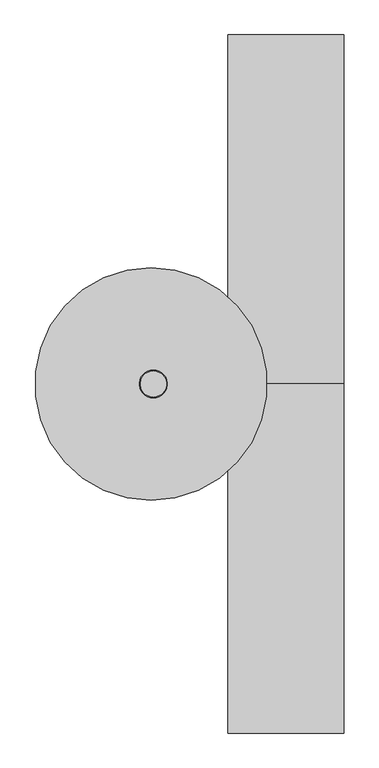
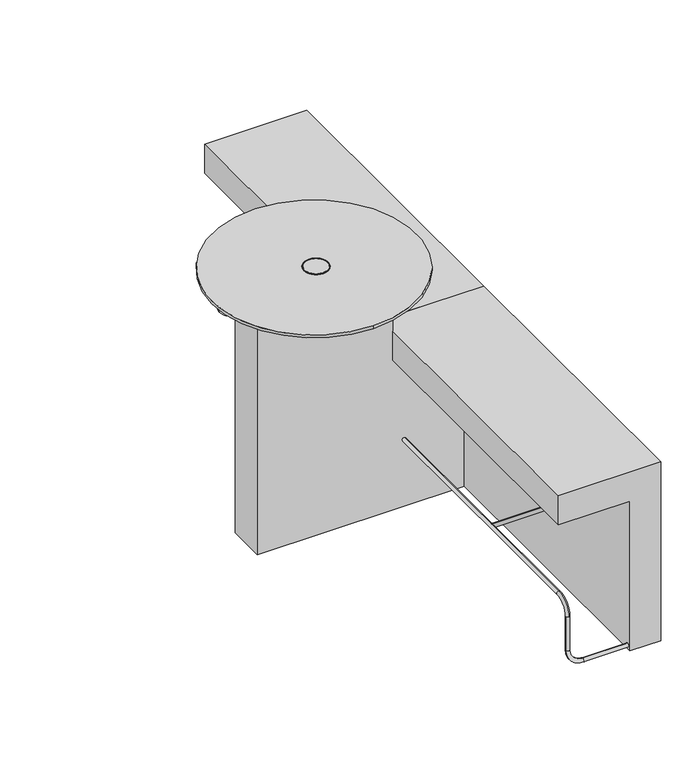
"""IFC4 building model written with IfcOpenShell, lengths in millimetres: furniture geometry."""

from ifc_helpers import new_model, si_unit, point, frame, frame_2d, origin, origin_with_axes, place, context, project, spatial, polyline, circle_curve, ellipse_curve, trimmed, segment, composite_curve, outline, extrude, source, transform, mapped, element, save
from ifc_brep_helpers import plane_surface, cylinder_surface, revolved_surface, advanced_brep


def furniture_3e6da632(model_context):
    return source(origin(), model_context, "Body", "SolidModel", [
        extrude(outline(composite_curve([segment(trimmed(circle_curve(frame_2d((-536.25, 0.0)), 48.0), [point((-536.25, 48.0))], [point((-536.25, -48.0))], False, "CARTESIAN"), True, "CONTINUOUS"), segment(trimmed(circle_curve(frame_2d((-536.25, 0.0)), 48.0), [point((-536.25, -48.0))], [point((-536.25, 48.0))], False, "CARTESIAN"), True, "CONTINUOUS")], self_intersect=False), holes=[composite_curve([segment(trimmed(circle_curve(frame_2d((-536.25, 0.0)), 45.0), [point((-536.25, 45.0))], [point((-536.25, -45.0))], True, "CARTESIAN"), True, "CONTINUOUS"), segment(trimmed(circle_curve(frame_2d((-536.25, 0.0)), 45.0), [point((-536.25, -45.0))], [point((-536.25, 45.0))], True, "CARTESIAN"), True, "CONTINUOUS")], self_intersect=False)]), frame((0.0, 0.0, 1060.0), z_axis=(0.0, 0.0, 1.0), x_axis=(1.0, 0.0, 0.0)), (0.0, 0.0, 1.0), 2.0),
        extrude(outline(composite_curve([segment(trimmed(circle_curve(frame_2d((-536.25, 0.0)), 45.0), [point((-536.25, 45.0))], [point((-536.25, -45.0))], False, "CARTESIAN"), True, "CONTINUOUS"), segment(trimmed(circle_curve(frame_2d((-536.25, 0.0)), 45.0), [point((-536.25, -45.0))], [point((-536.25, 45.0))], False, "CARTESIAN"), True, "CONTINUOUS")], self_intersect=False)), frame((0.0, 0.0, 1060.0), z_axis=(0.0, 0.0, 1.0), x_axis=(1.0, 0.0, 0.0)), (0.0, 0.0, 1.0), 2.0),
        advanced_brep(
        [(-278.0713252, 0.2775135, 912.6436849), (-278.0713252, 0.2775135, 868.1649803), (-269.2923071, 0.2775135, 868.1649803), (-269.2923071, 0.2775135, 912.6436849)],
        [
            (0, 1, circle_curve(frame((-278.0713252, 0.2775135, 890.4043326), z_axis=(-1.0, 0.0, 0.0), x_axis=(0.0, 0.0, -1.0)), 22.2393523)),
            (1, 0, circle_curve(frame((-278.0713252, 0.2775135, 890.4043326), z_axis=(-1.0, 0.0, 0.0), x_axis=(0.0, 0.0, -1.0)), 22.2393523)),
            (1, 2),
            (2, 3, ellipse_curve(frame((-269.2923071, 0.2775135, 890.4043326), z_axis=(-0.9848077530122081, 0.17364817766693016, 0.0), x_axis=(0.17364817766692978, 0.9848077530122081, 0.0)), 22.5824302, 22.2393523)),
            (3, 0),
            (3, 2, ellipse_curve(frame((-269.2923071, 0.2775135, 890.4043326), z_axis=(-0.9848077530122081, 0.17364817766693016, 0.0), x_axis=(0.17364817766692978, 0.9848077530122081, 0.0)), 22.5824302, 22.2393523)),
        ],
        [
            plane_surface(frame((-278.0713252, 0.2775135, 868.1649803), z_axis=(-1.0, 0.0, 0.0), x_axis=(0.0, -1.0, 0.0))),
            cylinder_surface(frame((-278.0713252, 0.2775135, 890.4043326), z_axis=(1.0, 0.0, 0.0), x_axis=(0.0, 0.0, -1.0)), 22.2393523),
            plane_surface(frame((-273.6676792, -24.5364551, 866.2000865), z_axis=(0.9848077530122081, -0.17364817766693016, 0.0), x_axis=(0.0, 0.0, 1.0))),
        ],
        [
            (0, [[1, 2]]),
            (1, [[-2, 3, 4, 5]]),
            (1, [[-1, -5, 6, -3]]),
            (2, [[-4, -6]]),
        ],
    ),
        extrude(outline(composite_curve([segment(trimmed(circle_curve(frame_2d((0.6057727, 900.3755519)), 45.0), [point((0.6057727, 945.3755519))], [point((0.6057727, 855.3755519))], False, "CARTESIAN"), True, "CONTINUOUS"), segment(trimmed(circle_curve(frame_2d((0.6057727, 900.3755519)), 45.0), [point((0.6057727, 855.3755519))], [point((0.6057727, 945.3755519))], False, "CARTESIAN"), True, "CONTINUOUS")], self_intersect=False)), frame((-280.0, 0.0, 0.0), z_axis=(1.0, 0.0, 0.0), x_axis=(0.0, 1.0, 0.0)), (0.0, 0.0, 1.0), 1.9286748),
        extrude(outline(composite_curve([segment(trimmed(circle_curve(frame_2d((60.423152, 59.9805734)), 25.0), [point((60.423152, 84.9805734))], [point((60.423152, 34.9805734))], False, "CARTESIAN"), True, "CONTINUOUS"), segment(trimmed(circle_curve(frame_2d((60.423152, 59.9805734)), 25.0), [point((60.423152, 34.9805734))], [point((60.423152, 84.9805734))], False, "CARTESIAN"), True, "CONTINUOUS")], self_intersect=False)), origin_with_axes(), (0.0, 0.0, 1.0), 10.0),
        advanced_brep(
        [(0.0, -1184.1185487, 17.5), (0.0, -1184.1185487, 32.5), (-174.8704276, -1184.1185487, 32.5), (-174.8704276, -1184.1185487, 17.5), (-227.3704276, -1184.1185487, 85.0), (-242.3704276, -1184.1185487, 85.0), (-227.3704276, -1184.1185487, 225.8567292), (-234.8704276, -1191.6185487, 225.8567292), (-242.3704276, -1184.1185487, 225.8567292), (-234.8704276, -1176.6185487, 225.8567292), (-234.8704276, -1124.1185487, 278.3567292), (-234.8704276, -1124.1185487, 293.3567292), (-234.8704276, -75.0, 278.3567292), (-234.8704276, -75.0, 293.3567292)],
        [
            (0, 1, circle_curve(frame((0.0, -1184.1185487, 25.0), z_axis=(1.0, 0.0, 0.0), x_axis=(0.0, 0.0, 1.0)), 7.5)),
            (1, 0, circle_curve(frame((0.0, -1184.1185487, 25.0), z_axis=(1.0, 0.0, 0.0), x_axis=(0.0, 0.0, 1.0)), 7.5)),
            (1, 2),
            (2, 3, circle_curve(frame((-174.8704276, -1184.1185487, 25.0), z_axis=(1.0, 0.0, 0.0), x_axis=(0.0, 0.0, 1.0)), 7.5)),
            (3, 0),
            (3, 2, circle_curve(frame((-174.8704276, -1184.1185487, 25.0), z_axis=(1.0, 0.0, 0.0), x_axis=(0.0, 0.0, 1.0)), 7.5)),
            (2, 4, circle_curve(frame((-174.8704276, -1184.1185487, 85.0), z_axis=(0.0, 1.0, 0.0), x_axis=(0.0, 0.0, -1.0)), 52.5)),
            (4, 5, circle_curve(frame((-234.8704276, -1184.1185487, 85.0), z_axis=(0.0, 0.0, -1.0), x_axis=(1.0, 0.0, 0.0)), 7.5)),
            (5, 3, circle_curve(frame((-174.8704276, -1184.1185487, 85.0), z_axis=(0.0, -1.0, 0.0), x_axis=(0.0, 0.0, -1.0)), 67.5)),
            (5, 4, circle_curve(frame((-234.8704276, -1184.1185487, 85.0), z_axis=(0.0, 0.0, -1.0), x_axis=(1.0, 0.0, 0.0)), 7.5)),
            (4, 6),
            (6, 7, circle_curve(frame((-234.8704276, -1184.1185487, 225.8567292), z_axis=(0.0, 0.0, -1.0), x_axis=(1.0, 0.0, 0.0)), 7.5)),
            (7, 8, circle_curve(frame((-234.8704276, -1184.1185487, 225.8567292), z_axis=(0.0, 0.0, -1.0), x_axis=(1.0, 0.0, 0.0)), 7.5)),
            (8, 5),
            (8, 9, circle_curve(frame((-234.8704276, -1184.1185487, 225.8567292), z_axis=(0.0, 0.0, -1.0), x_axis=(1.0, 0.0, 0.0)), 7.5)),
            (9, 6, circle_curve(frame((-234.8704276, -1184.1185487, 225.8567292), z_axis=(0.0, 0.0, -1.0), x_axis=(1.0, 0.0, 0.0)), 7.5)),
            (10, 9, circle_curve(frame((-234.8704276, -1124.1185487, 225.8567292), z_axis=(1.0, 0.0, 0.0), x_axis=(0.0, -1.0, 0.0)), 52.5)),
            (7, 11, circle_curve(frame((-234.8704276, -1124.1185487, 225.8567292), z_axis=(-1.0, 0.0, 0.0), x_axis=(0.0, -1.0, 0.0)), 67.5)),
            (11, 10, circle_curve(frame((-234.8704276, -1124.1185487, 285.8567292), z_axis=(0.0, -1.0, 0.0), x_axis=(0.0, 0.0, 1.0)), 7.5)),
            (10, 11, circle_curve(frame((-234.8704276, -1124.1185487, 285.8567292), z_axis=(0.0, -1.0, 0.0), x_axis=(0.0, 0.0, 1.0)), 7.5)),
            (12, 13, circle_curve(frame((-234.8704276, -75.0, 285.8567292), z_axis=(0.0, 1.0, 0.0), x_axis=(0.0, 0.0, 1.0)), 7.5)),
            (13, 12, circle_curve(frame((-234.8704276, -75.0, 285.8567292), z_axis=(0.0, 1.0, 0.0), x_axis=(0.0, 0.0, 1.0)), 7.5)),
            (11, 13),
            (12, 10),
        ],
        [
            plane_surface(frame((0.0, -1184.1185487, 25.0), z_axis=(1.0, 0.0, 0.0), x_axis=(0.0, 1.0, 0.0))),
            cylinder_surface(frame((0.0, -1184.1185487, 25.0), z_axis=(1.0, 0.0, 0.0), x_axis=(0.0, 0.0, 1.0)), 7.5),
            revolved_surface(trimmed(ellipse_curve(frame((-174.8704276, -1184.1185487, 25.0), z_axis=(1.0, 0.0, 0.0), x_axis=(0.0, 0.0, 1.0)), 7.5, 7.5), [point((-174.8704276, -1184.1185487, 32.5))], [point((-174.8704276, -1184.1185487, 17.5))], True, "CARTESIAN"), (-174.8704276, -1184.1185487, 85.0), (0.0, 1.0, 0.0)),
            revolved_surface(trimmed(ellipse_curve(frame((-174.8704276, -1184.1185487, 25.0), z_axis=(1.0, 0.0, 0.0), x_axis=(0.0, 0.0, 1.0)), 7.5, 7.5), [point((-174.8704276, -1184.1185487, 17.5))], [point((-174.8704276, -1184.1185487, 32.5))], True, "CARTESIAN"), (-174.8704276, -1184.1185487, 85.0), (0.0, 1.0, 0.0)),
            cylinder_surface(frame((-234.8704276, -1184.1185487, 85.0), z_axis=(0.0, 0.0, -1.0), x_axis=(1.0, 0.0, 0.0)), 7.5),
            revolved_surface(trimmed(ellipse_curve(frame((-234.8704276, -1184.1185487, 225.8567292), z_axis=(0.0, 0.0, -1.0), x_axis=(0.0, -1.0, 0.0)), 7.5, 7.5), [point((-234.8704276, -1191.6185487, 225.8567292))], [point((-234.8704276, -1176.6185487, 225.8567292))], True, "CARTESIAN"), (0.0, -1124.1185487, 225.8567292), (-1.0, 0.0, 0.0)),
            revolved_surface(trimmed(ellipse_curve(frame((-234.8704276, -1184.1185487, 225.8567292), z_axis=(0.0, 0.0, -1.0), x_axis=(0.0, -1.0, 0.0)), 7.5, 7.5), [point((-234.8704276, -1176.6185487, 225.8567292))], [point((-234.8704276, -1191.6185487, 225.8567292))], True, "CARTESIAN"), (0.0, -1124.1185487, 225.8567292), (-1.0, 0.0, 0.0)),
            plane_surface(frame((0.0, -75.0, 285.8567292), z_axis=(0.0, 1.0, 0.0), x_axis=(1.0, 0.0, 0.0))),
            cylinder_surface(frame((-234.8704276, -1124.1185487, 285.8567292), z_axis=(0.0, -1.0, 0.0), x_axis=(0.0, 0.0, 1.0)), 7.5),
        ],
        [
            (0, [[1, 2]]),
            (1, [[-2, 3, 4, 5]]),
            (1, [[-1, -5, 6, -3]]),
            (2, [[-4, 7, 8, 9]]),
            (3, [[-6, -9, 10, -7]]),
            (4, [[-8, 11, 12, 13, 14]]),
            (4, [[-10, -14, 15, 16, -11]]),
            (5, [[17, -15, -13, 18, 19]]),
            (6, [[-17, 20, -18, -12, -16]]),
            (7, [[21, 22]]),
            (8, [[-19, 23, -21, 24]]),
            (8, [[-20, -24, -22, -23]]),
        ],
    ),
        extrude(outline(composite_curve([segment(trimmed(circle_curve(frame_2d((-666.9247919, 285.8721425)), 7.5), [point((-666.9247919, 278.3721425))], [point((-666.9247919, 293.3721425))], False, "CARTESIAN"), True, "CONTINUOUS"), segment(trimmed(circle_curve(frame_2d((-666.9247919, 285.8721425)), 7.5), [point((-666.9247919, 293.3721425))], [point((-666.9247919, 278.3721425))], False, "CARTESIAN"), True, "CONTINUOUS")], self_intersect=False)), frame((-234.8704276, 0.0, 0.0), z_axis=(1.0, 0.0, 0.0), x_axis=(0.0, 1.0, 0.0)), (0.0, 0.0, 1.0), 234.8704276),
        extrude(outline(polyline([(750.0, 120.0), (750.0, -280.0), (630.0, -280.0), (630.0, 0.0), (10.0, 0.0), (10.0, 120.0), (750.0, 120.0)])), frame((0.0, -1200.0, 0.0), z_axis=(0.0, 1.0, 0.0), x_axis=(0.0, 0.0, 1.0)), (0.0, 0.0, 1.0), 1200.0),
        extrude(outline(composite_curve([segment(trimmed(circle_curve(frame_2d((60.423152, -1075.0240584)), 25.0), [point((60.423152, -1050.0240584))], [point((60.423152, -1100.0240584))], False, "CARTESIAN"), True, "CONTINUOUS"), segment(trimmed(circle_curve(frame_2d((60.423152, -1075.0240584)), 25.0), [point((60.423152, -1100.0240584))], [point((60.423152, -1050.0240584))], False, "CARTESIAN"), True, "CONTINUOUS")], self_intersect=False)), origin_with_axes(), (0.0, 0.0, 1.0), 10.0),
        advanced_brep(
        [(-234.8704276, 1124.1185487, 278.3567292), (-234.8704276, 1176.6185487, 225.8567292), (-227.3704276, 1184.1185487, 225.8567292), (-234.8704276, 1191.6185487, 225.8567292), (-234.8704276, 1124.1185487, 293.3567292), (-242.3704276, 1184.1185487, 225.8567292), (-234.8704276, 75.0, 293.3567292), (-234.8704276, 75.0, 278.3567292), (0.0, 1184.1185487, 32.5), (0.0, 1184.1185487, 17.5), (-174.8704276, 1184.1185487, 32.5), (-174.8704276, 1184.1185487, 17.5), (-227.3704276, 1184.1185487, 85.0), (-242.3704276, 1184.1185487, 85.0)],
        [
            (0, 1, circle_curve(frame((-234.8704276, 1124.1185487, 225.8567292), z_axis=(-1.0, 0.0, 0.0), x_axis=(0.0, 1.0, 0.0)), 52.5)),
            (1, 2, circle_curve(frame((-234.8704276, 1184.1185487, 225.8567292), z_axis=(0.0, 0.0, 1.0), x_axis=(0.0, -1.0, 0.0)), 7.5)),
            (2, 3, circle_curve(frame((-234.8704276, 1184.1185487, 225.8567292), z_axis=(0.0, 0.0, 1.0), x_axis=(0.0, -1.0, 0.0)), 7.5)),
            (3, 4, circle_curve(frame((-234.8704276, 1124.1185487, 225.8567292), z_axis=(1.0, 0.0, 0.0), x_axis=(0.0, 1.0, 0.0)), 67.5)),
            (4, 0, circle_curve(frame((-234.8704276, 1124.1185487, 285.8567292), z_axis=(0.0, 1.0, 0.0), x_axis=(0.0, 0.0, -1.0)), 7.5)),
            (0, 4, circle_curve(frame((-234.8704276, 1124.1185487, 285.8567292), z_axis=(0.0, 1.0, 0.0), x_axis=(0.0, 0.0, -1.0)), 7.5)),
            (3, 5, circle_curve(frame((-234.8704276, 1184.1185487, 225.8567292), z_axis=(0.0, 0.0, 1.0), x_axis=(0.0, -1.0, 0.0)), 7.5)),
            (5, 1, circle_curve(frame((-234.8704276, 1184.1185487, 225.8567292), z_axis=(0.0, 0.0, 1.0), x_axis=(0.0, -1.0, 0.0)), 7.5)),
            (6, 7, circle_curve(frame((-234.8704276, 75.0, 285.8567292), z_axis=(0.0, -1.0, 0.0), x_axis=(0.0, 0.0, -1.0)), 7.5)),
            (7, 6, circle_curve(frame((-234.8704276, 75.0, 285.8567292), z_axis=(0.0, -1.0, 0.0), x_axis=(0.0, 0.0, -1.0)), 7.5)),
            (4, 6),
            (7, 0),
            (8, 9, circle_curve(frame((0.0, 1184.1185487, 25.0), z_axis=(1.0, 0.0, 0.0), x_axis=(0.0, 0.0, -1.0)), 7.5)),
            (9, 8, circle_curve(frame((0.0, 1184.1185487, 25.0), z_axis=(1.0, 0.0, 0.0), x_axis=(0.0, 0.0, -1.0)), 7.5)),
            (8, 10),
            (10, 11, circle_curve(frame((-174.8704276, 1184.1185487, 25.0), z_axis=(1.0, 0.0, 0.0), x_axis=(0.0, 0.0, -1.0)), 7.5)),
            (11, 9),
            (11, 10, circle_curve(frame((-174.8704276, 1184.1185487, 25.0), z_axis=(1.0, 0.0, 0.0), x_axis=(0.0, 0.0, -1.0)), 7.5)),
            (10, 12, circle_curve(frame((-174.8704276, 1184.1185487, 85.0), z_axis=(0.0, 1.0, 0.0), x_axis=(0.0, 0.0, -1.0)), 52.5)),
            (12, 13, circle_curve(frame((-234.8704276, 1184.1185487, 85.0), z_axis=(0.0, 0.0, -1.0), x_axis=(-1.0, 0.0, 0.0)), 7.5)),
            (13, 11, circle_curve(frame((-174.8704276, 1184.1185487, 85.0), z_axis=(0.0, -1.0, 0.0), x_axis=(0.0, 0.0, -1.0)), 67.5)),
            (13, 12, circle_curve(frame((-234.8704276, 1184.1185487, 85.0), z_axis=(0.0, 0.0, -1.0), x_axis=(-1.0, 0.0, 0.0)), 7.5)),
            (12, 2),
            (5, 13),
        ],
        [
            revolved_surface(trimmed(ellipse_curve(frame((-234.8704276, 1184.1185487, 225.8567292), z_axis=(0.0, 0.0, -1.0), x_axis=(0.0, -1.0, 0.0)), 7.5, 7.5), [point((-234.8704276, 1191.6185487, 225.8567292))], [point((-234.8704276, 1176.6185487, 225.8567292))], True, "CARTESIAN"), (0.0, 1124.1185487, 225.8567292), (1.0, 0.0, 0.0)),
            revolved_surface(trimmed(ellipse_curve(frame((-234.8704276, 1184.1185487, 225.8567292), z_axis=(0.0, 0.0, -1.0), x_axis=(0.0, -1.0, 0.0)), 7.5, 7.5), [point((-234.8704276, 1176.6185487, 225.8567292))], [point((-234.8704276, 1191.6185487, 225.8567292))], True, "CARTESIAN"), (0.0, 1124.1185487, 225.8567292), (1.0, 0.0, 0.0)),
            plane_surface(frame((0.0, 75.0, 285.8567292), z_axis=(0.0, -1.0, 0.0), x_axis=(1.0, 0.0, 0.0))),
            cylinder_surface(frame((-234.8704276, 1124.1185487, 285.8567292), z_axis=(0.0, 1.0, 0.0), x_axis=(0.0, 0.0, -1.0)), 7.5),
            plane_surface(frame((0.0, 1109.1185487, 25.0), z_axis=(1.0, 0.0, 0.0), x_axis=(0.0, -1.0, 0.0))),
            cylinder_surface(frame((0.0, 1184.1185487, 25.0), z_axis=(1.0, 0.0, 0.0), x_axis=(0.0, 0.0, -1.0)), 7.5),
            revolved_surface(trimmed(ellipse_curve(frame((-174.8704276, 1184.1185487, 25.0), z_axis=(1.0, 0.0, 0.0), x_axis=(0.0, 0.0, -1.0)), 7.5, 7.5), [point((-174.8704276, 1184.1185487, 32.5))], [point((-174.8704276, 1184.1185487, 17.5))], True, "CARTESIAN"), (-174.8704276, 1109.1185487, 85.0), (0.0, 1.0, 0.0)),
            revolved_surface(trimmed(ellipse_curve(frame((-174.8704276, 1184.1185487, 25.0), z_axis=(1.0, 0.0, 0.0), x_axis=(0.0, 0.0, -1.0)), 7.5, 7.5), [point((-174.8704276, 1184.1185487, 17.5))], [point((-174.8704276, 1184.1185487, 32.5))], True, "CARTESIAN"), (-174.8704276, 1109.1185487, 85.0), (0.0, 1.0, 0.0)),
            cylinder_surface(frame((-234.8704276, 1184.1185487, 85.0), z_axis=(0.0, 0.0, -1.0), x_axis=(-1.0, 0.0, 0.0)), 7.5),
        ],
        [
            (0, [[1, 2, 3, 4, 5]]),
            (1, [[-1, 6, -4, 7, 8]]),
            (2, [[9, 10]]),
            (3, [[-5, 11, -10, 12]]),
            (3, [[-6, -12, -9, -11]]),
            (4, [[13, 14]]),
            (5, [[-13, 15, 16, 17]]),
            (5, [[-14, -17, 18, -15]]),
            (6, [[-16, 19, 20, 21]]),
            (7, [[-18, -21, 22, -19]]),
            (8, [[-20, 23, -2, -8, 24]]),
            (8, [[-22, -24, -7, -3, -23]]),
        ],
    ),
        extrude(outline(composite_curve([segment(trimmed(circle_curve(frame_2d((666.9247919, 285.8721425)), 7.5), [point((666.9247919, 278.3721425))], [point((666.9247919, 293.3721425))], False, "CARTESIAN"), True, "CONTINUOUS"), segment(trimmed(circle_curve(frame_2d((666.9247919, 285.8721425)), 7.5), [point((666.9247919, 293.3721425))], [point((666.9247919, 278.3721425))], False, "CARTESIAN"), True, "CONTINUOUS")], self_intersect=False)), frame((-234.8704276, 0.0, 0.0), z_axis=(1.0, 0.0, 0.0), x_axis=(0.0, 1.0, 0.0)), (0.0, 0.0, 1.0), 234.8704276),
        extrude(outline(composite_curve([segment(trimmed(circle_curve(frame_2d((60.423152, -59.9805734)), 25.0), [point((60.423152, -34.9805734))], [point((60.423152, -84.9805734))], False, "CARTESIAN"), True, "CONTINUOUS"), segment(trimmed(circle_curve(frame_2d((60.423152, -59.9805734)), 25.0), [point((60.423152, -84.9805734))], [point((60.423152, -34.9805734))], False, "CARTESIAN"), True, "CONTINUOUS")], self_intersect=False)), origin_with_axes(), (0.0, 0.0, 1.0), 10.0),
        extrude(outline(polyline([(750.0, 120.0), (750.0, -280.0), (630.0, -280.0), (630.0, 0.0), (10.0, 0.0), (10.0, 120.0), (750.0, 120.0)])), frame((0.0, 0.0, 0.0), z_axis=(0.0, 1.0, 0.0), x_axis=(0.0, 0.0, 1.0)), (0.0, 0.0, 1.0), 1200.0),
        extrude(outline(composite_curve([segment(trimmed(circle_curve(frame_2d((-760.0, 0.0)), 25.0), [point((-785.0, 0.0))], [point((-735.0, 0.0))], False, "CARTESIAN"), True, "CONTINUOUS"), segment(trimmed(circle_curve(frame_2d((-760.0, 0.0)), 25.0), [point((-735.0, 0.0))], [point((-785.0, 0.0))], False, "CARTESIAN"), True, "CONTINUOUS")], self_intersect=False)), origin_with_axes(), (0.0, 0.0, 1.0), 10.0),
        advanced_brep(
        [(-544.1165847, 400.0, 1060.0), (-544.1165847, -400.0, 1060.0), (-544.1165847, -344.0192379, 1034.1358283), (-544.1165847, 344.0192379, 1034.1358283), (-544.1165847, 400.0, 1049.1358283), (-544.1165847, -400.0, 1049.1358283)],
        [
            (0, 1, circle_curve(frame((-544.1165847, 0.0, 1060.0), z_axis=(0.0, 0.0, 1.0), x_axis=(0.0, -1.0, 0.0)), 400.0)),
            (1, 0, circle_curve(frame((-544.1165847, 0.0, 1060.0), z_axis=(0.0, 0.0, 1.0), x_axis=(0.0, -1.0, 0.0)), 400.0)),
            (2, 3, circle_curve(frame((-544.1165847, 0.0, 1034.1358283), z_axis=(0.0, 0.0, -1.0), x_axis=(0.0, 1.0, 0.0)), 344.0192379)),
            (3, 2, circle_curve(frame((-544.1165847, 0.0, 1034.1358283), z_axis=(0.0, 0.0, -1.0), x_axis=(0.0, -1.0, 0.0)), 344.0192379)),
            (0, 4),
            (4, 5, circle_curve(frame((-544.1165847, 0.0, 1049.1358283), z_axis=(0.0, 0.0, 1.0), x_axis=(0.0, -1.0, 0.0)), 400.0)),
            (5, 1),
            (5, 4, circle_curve(frame((-544.1165847, 0.0, 1049.1358283), z_axis=(0.0, 0.0, 1.0), x_axis=(0.0, -1.0, 0.0)), 400.0)),
            (2, 5),
            (4, 3),
        ],
        [
            plane_surface(frame((-544.1165847, -400.0, 1060.0), z_axis=(0.0, 0.0, 1.0), x_axis=(1.0, 0.0, 0.0))),
            plane_surface(frame((-544.1165847, -400.0, 1034.1358283), z_axis=(0.0, 0.0, -1.0), x_axis=(-1.0, 0.0, 0.0))),
            cylinder_surface(frame((-544.1165847, 0.0, 1034.1358283), z_axis=(0.0, 0.0, 1.0), x_axis=(0.0, -1.0, 0.0)), 400.0),
            revolved_surface(polyline([(-544.1165847, 336.5551363, 1032.1358283), (-544.1165847, 400.0, 1049.1358283)]), (-544.1165847, 0.0, 1034.1358283), (0.0, 0.0, 1.0)),
            revolved_surface(polyline([(-544.1165847, -336.5551363, 1032.1358283), (-544.1165847, -400.0, 1049.1358283)]), (-544.1165847, 0.0, 1034.1358283), (0.0, 0.0, 1.0)),
        ],
        [
            (0, [[1, 2]]),
            (1, [[3, 4]]),
            (2, [[-1, 5, 6, 7]]),
            (2, [[-2, -7, 8, -5]]),
            (3, [[9, -6, 10, -3]]),
            (4, [[-9, -4, -10, -8]]),
        ],
    ),
        extrude(outline(polyline([(630.0, -280.0), (1032.1358283, -280.0), (1032.1358283, -810.0), (10.0, -810.0), (10.0, 0.0), (630.0, 0.0), (630.0, -280.0)])), frame((0.0, -75.0, 0.0), z_axis=(0.0, 1.0, 0.0), x_axis=(0.0, 0.0, 1.0)), (0.0, 0.0, 1.0), 150.0),
        extrude(outline(composite_curve([segment(trimmed(circle_curve(frame_2d((60.423152, 1075.0240584)), 25.0), [point((60.423152, 1100.0240584))], [point((60.423152, 1050.0240584))], False, "CARTESIAN"), True, "CONTINUOUS"), segment(trimmed(circle_curve(frame_2d((60.423152, 1075.0240584)), 25.0), [point((60.423152, 1050.0240584))], [point((60.423152, 1100.0240584))], False, "CARTESIAN"), True, "CONTINUOUS")], self_intersect=False)), origin_with_axes(), (0.0, 0.0, 1.0), 10.0),
    ])


if __name__ == "__main__":
    model = new_model("IFC4")
    model_context = context("Model", 3, world=origin())
    ifc_project = project(units=[si_unit("LENGTHUNIT", "METRE", prefix="MILLI")], contexts=[model_context])
    site = spatial("IfcSite", under=ifc_project)
    building = spatial("IfcBuilding", under=site)
    placement = place(None, origin())
    furniture_shape = furniture_3e6da632(model_context)
    element("IfcFurniture", 1, at=placement, inside=building, context=model_context, shape_type="MappedRepresentation", body=[
        mapped(furniture_shape, transform((0.0, 0.0, 0.0), x_axis=(1.0, 0.0, 0.0), y_axis=(0.0, 1.0, 0.0), z_axis=(0.0, 0.0, 1.0))),
    ])
    save(model, "model.ifc")
